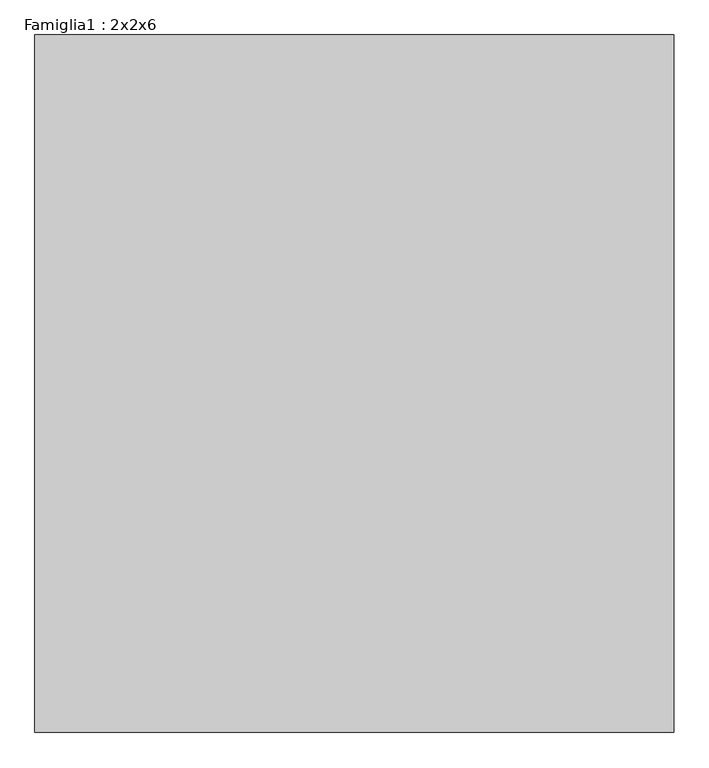
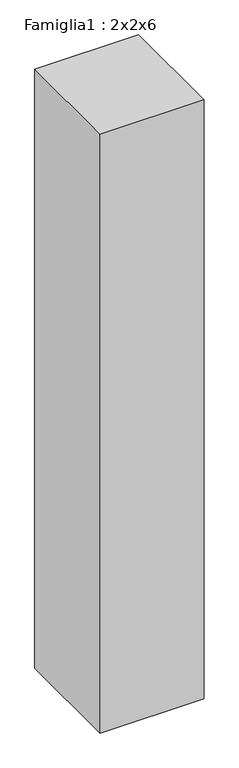
"""IFC4 building model written with IfcOpenShell, lengths in millimetres: proxy geometry, Famiglia1 : 2x2x6."""

from ifc_helpers import new_model, si_unit, origin, origin_with_axes, place, context, project, spatial, polyline, outline, extrude, source, transform, mapped, element, save


def famiglia1_2x2x6_7ed7fdcc(model_context):
    return source(origin(), model_context, "Body", "SweptSolid", [
        extrude(outline(polyline([(1100.0, 1200.0), (1100.0, 0.0), (0.0, 0.0), (0.0, 1200.0), (1100.0, 1200.0)])), origin_with_axes(), (0.0, 0.0, 1.0), 6700.0),
    ])


if __name__ == "__main__":
    model = new_model("IFC4")
    model_context = context("Model", 3, world=origin())
    ifc_project = project(units=[si_unit("LENGTHUNIT", "METRE", prefix="MILLI")], contexts=[model_context])
    site = spatial("IfcSite", under=ifc_project)
    building = spatial("IfcBuilding", under=site)
    placement = place(None, origin())
    famiglia1_2x2x6_shape = famiglia1_2x2x6_7ed7fdcc(model_context)
    element("IfcBuildingElementProxy", 1, Name="Famiglia1 : 2x2x6", ObjectType="Famiglia1 : 2x2x6", at=placement, inside=building, context=model_context, shape_type="MappedRepresentation", body=[
        mapped(famiglia1_2x2x6_shape, transform((0.0, 0.0, 0.0), x_axis=(1.0, 0.0, 0.0), y_axis=(0.0, 1.0, 0.0), z_axis=(0.0, 0.0, 1.0))),
    ])
    save(model, "model.ifc")
